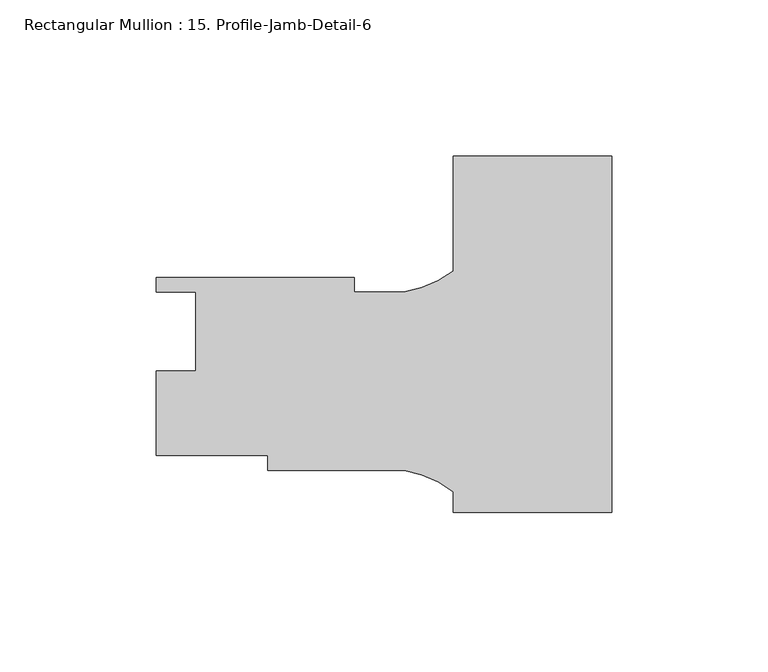
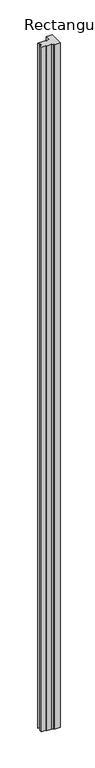
"""IFC4 building model written with IfcOpenShell, lengths in millimetres: member geometry, Rectangular Mullion : 15. Profile-Jamb-Detail-6."""

from ifc_helpers import new_model, si_unit, point, frame, frame_2d, origin, place, context, project, spatial, polyline, circle_curve, trimmed, segment, composite_curve, outline, extrude, source, transform, mapped, element, save


def rectangular_mullion_15_profile_jamb_detail_6_ffc8f239(model_context):
    return source(origin(), model_context, "Body", "SweptSolid", [
        extrude(outline(composite_curve([segment(polyline([(-50.8, 57.85104), (0.0, 57.85104), (0.0, -56.44896), (-50.8, -56.44896), (-50.8, -49.8232778)]), True, "CONTINUOUS"), segment(trimmed(circle_curve(frame_2d((-72.9843006, -79.3673149)), 36.945816), [point((-50.8, -49.8232778))], [point((-66.6172861, -42.97426))], True, "CARTESIAN"), True, "CONTINUOUS"), segment(polyline([(-66.6172861, -42.97426), (-110.3367775, -42.97426), (-110.3367775, -38.21176), (-146.05, -38.21176), (-146.05, -11.16076), (-133.35, -11.16076), (-133.35, 14.23924), (-146.05, 14.23924), (-146.05, 18.9334458), (-82.55, 18.9334458), (-82.55, 14.17574), (-66.6187366, 14.17574)]), True, "CONTINUOUS"), segment(trimmed(circle_curve(frame_2d((-72.9843006, 50.5690487)), 36.945816), [point((-66.6187366, 14.17574))], [point((-50.8, 21.0250116))], True, "CARTESIAN"), True, "CONTINUOUS"), segment(polyline([(-50.8, 21.0250116), (-50.8, 57.85104)]), True, "CONTINUOUS")], self_intersect=False)), frame((0.0, 0.0, -6096.0), z_axis=(0.0, 0.0, 1.0), x_axis=(1.0, 0.0, 0.0)), (0.0, 0.0, 1.0), 6096.0),
    ])


if __name__ == "__main__":
    model = new_model("IFC4")
    model_context = context("Model", 3, world=origin())
    ifc_project = project(units=[si_unit("LENGTHUNIT", "METRE", prefix="MILLI")], contexts=[model_context])
    site = spatial("IfcSite", under=ifc_project)
    building = spatial("IfcBuilding", under=site)
    placement = place(None, origin())
    rectangular_mullion_15_profile_jamb_detail_6_shape = rectangular_mullion_15_profile_jamb_detail_6_ffc8f239(model_context)
    element("IfcMember", 1, ObjectType="Rectangular Mullion : 15. Profile-Jamb-Detail-6", at=placement, inside=building, context=model_context, shape_type="MappedRepresentation", body=[
        mapped(rectangular_mullion_15_profile_jamb_detail_6_shape, transform((0.0, 0.0, 0.0), x_axis=(1.0, 0.0, 0.0), y_axis=(0.0, 1.0, 0.0), z_axis=(0.0, 0.0, 1.0))),
    ])
    save(model, "model.ifc")
